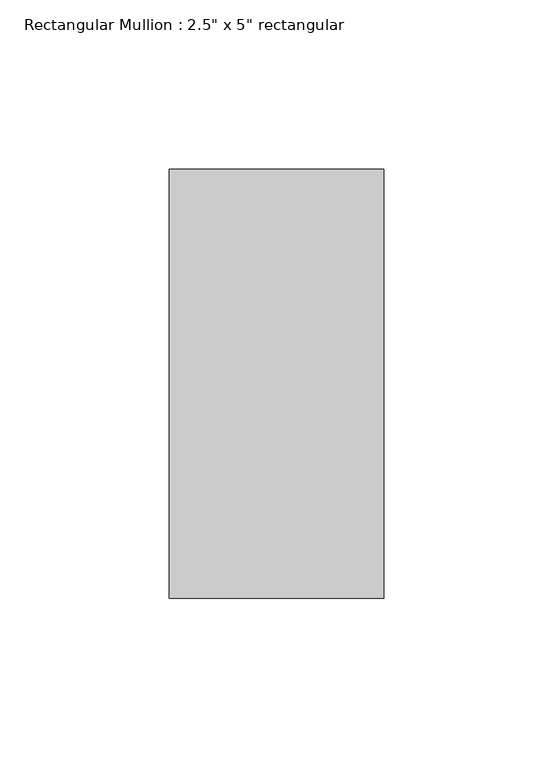
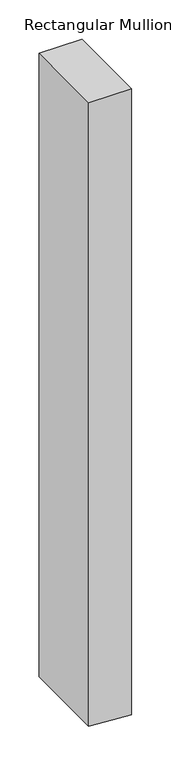
"""IFC4 building model written with IfcOpenShell, lengths in millimetres: member geometry."""

from ifc_helpers import new_model, si_unit, frame, origin, place, context, project, spatial, polyline, outline, extrude, source, transform, mapped, element, save


def member_08c44084(model_context):
    return source(origin(), model_context, "Body", "SweptSolid", [
        extrude(outline(polyline([(0.0, 31.75), (0.0, -31.75), (-971.2510104, -31.75), (-973.6304502, 4.1956722), (-975.4550505, 31.75), (0.0, 31.75)])), frame((0.0, -63.5, 0.0), z_axis=(0.0, 1.0, 0.0), x_axis=(0.0, 0.0, 1.0)), (0.0, 0.0, 1.0), 127.0),
    ])


if __name__ == "__main__":
    model = new_model("IFC4")
    model_context = context("Model", 3, world=origin())
    ifc_project = project(units=[si_unit("LENGTHUNIT", "METRE", prefix="MILLI")], contexts=[model_context])
    site = spatial("IfcSite", under=ifc_project)
    building = spatial("IfcBuilding", under=site)
    placement = place(None, origin())
    member_shape = member_08c44084(model_context)
    element("IfcMember", 1, ObjectType="Rectangular Mullion : 2.5\" x 5\" rectangular", at=placement, inside=building, context=model_context, shape_type="MappedRepresentation", body=[
        mapped(member_shape, transform((0.0, 0.0, 0.0), x_axis=(1.0, 0.0, 0.0), y_axis=(0.0, 1.0, 0.0), z_axis=(0.0, 0.0, 1.0))),
    ])
    save(model, "model.ifc")
